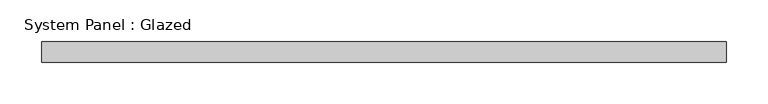
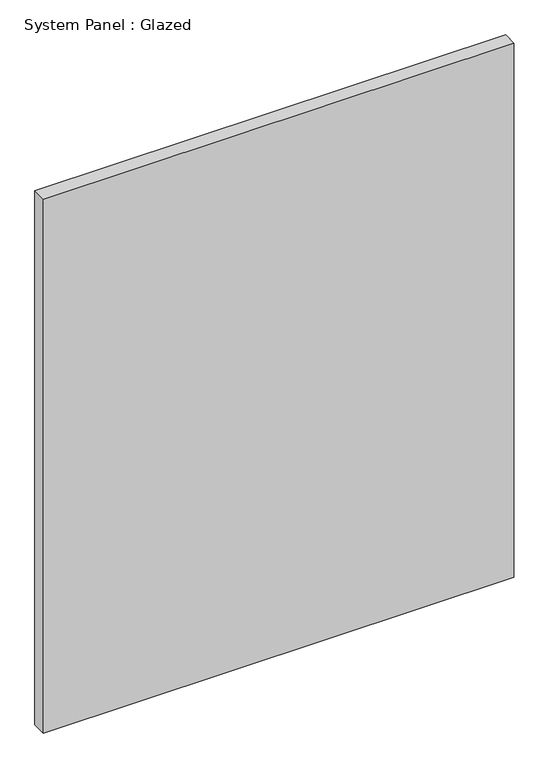
"""IFC4 building model written with IfcOpenShell, lengths in millimetres: plate geometry, System Panel : Glazed."""

from ifc_helpers import new_model, si_unit, origin, origin_with_axes, place, context, project, spatial, polyline, outline, extrude, source, transform, mapped, element, save


def system_panel_glazed_8b2c872f(model_context):
    return source(origin(), model_context, "Body", "SweptSolid", [
        extrude(outline(polyline([(412.5, 24.5), (-412.5, 24.5), (-412.5, 49.5), (412.5, 49.5), (412.5, 24.5)])), origin_with_axes(), (0.0, 0.0, 1.0), 989.3333333),
    ])


if __name__ == "__main__":
    model = new_model("IFC4")
    model_context = context("Model", 3, world=origin())
    ifc_project = project(units=[si_unit("LENGTHUNIT", "METRE", prefix="MILLI")], contexts=[model_context])
    site = spatial("IfcSite", under=ifc_project)
    building = spatial("IfcBuilding", under=site)
    placement = place(None, origin())
    system_panel_glazed_shape = system_panel_glazed_8b2c872f(model_context)
    element("IfcPlate", 1, ObjectType="System Panel : Glazed", at=placement, inside=building, context=model_context, shape_type="MappedRepresentation", body=[
        mapped(system_panel_glazed_shape, transform((0.0, 0.0, 0.0), x_axis=(1.0, 0.0, 0.0), y_axis=(0.0, 1.0, 0.0), z_axis=(0.0, 0.0, 1.0))),
    ])
    save(model, "model.ifc")
